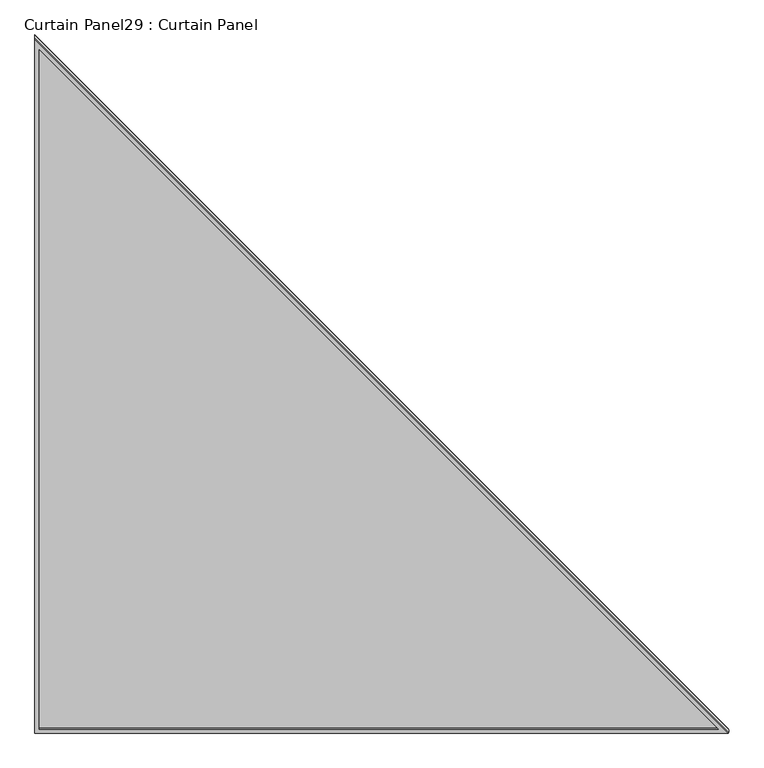
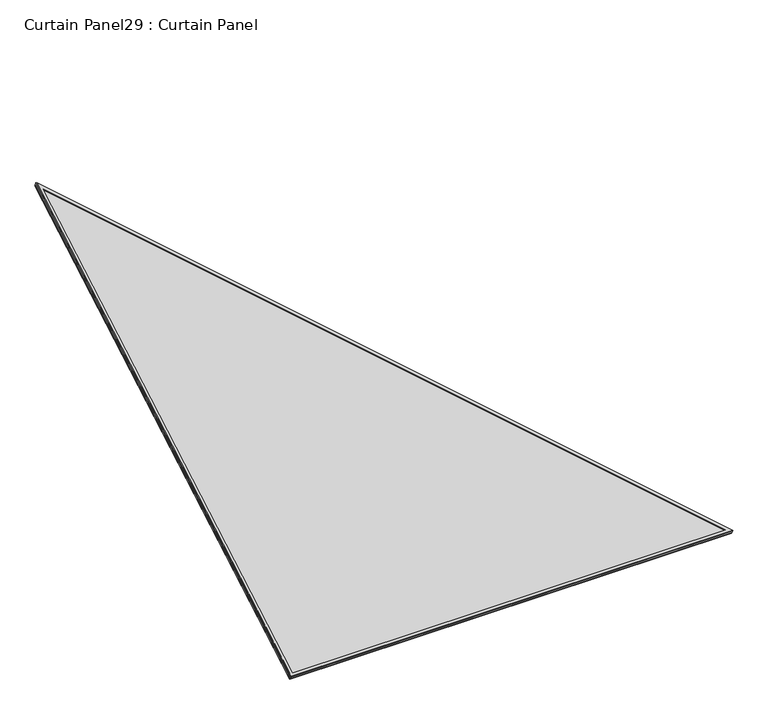
"""IFC4 building model written with IfcOpenShell, lengths in millimetres: plate geometry, Curtain Panel29 : Curtain Panel."""

from ifc_helpers import new_model, si_unit, frame, origin, place, context, project, spatial, polyline, outline, extrude, source, transform, mapped, element, save


def curtain_panel29_curtain_panel_560133df(model_context):
    return source(origin(), model_context, "Body", "SweptSolid", [
        extrude(outline(polyline([(2029.5958654, 0.0), (0.0, -1757.6815789), (0.0, 0.0), (2029.5958654, 0.0)]), holes=[polyline([(1999.6240097, -11.1742479), (11.1742479, -11.1742479), (11.1742479, -1733.2222558), (1999.6240097, -11.1742479)])]), frame((15392.1122101, 8949.3497935, -26.8972674), z_axis=(0.0, -0.5000000000000021, 0.8660254037844375), x_axis=(0.0, 0.8660254037844375, 0.5000000000000021)), (0.0, 0.0, 1.0), 4.7801216),
        extrude(outline(polyline([(2029.5958654, 0.0), (0.0, -1757.6815789), (0.0, 0.0), (2029.5958654, 0.0)]), holes=[polyline([(1999.6240097, -11.1742479), (11.1742479, -11.1742479), (11.1742479, -1733.2222558), (1999.6240097, -11.1742479)])]), frame((15392.1122101, 8940.5384207, -11.635522), z_axis=(0.0, -0.500000000000002, 0.8660254037844376), x_axis=(0.0, 0.8660254037844376, 0.500000000000002)), (0.0, 0.0, 1.0), 4.8562543),
        extrude(outline(polyline([(56.7302073, 0.0), (1816.1, 0.0), (1816.1, -2031.5452468), (56.7302073, 0.0)])), frame((17208.2122101, 8946.8692015, -22.6007561), z_axis=(0.0, -0.5000000000000002, 0.8660254037844386), x_axis=(-1.0, 0.0, 0.0)), (0.0, 0.0, 1.0), 12.6817437),
    ])


if __name__ == "__main__":
    model = new_model("IFC4")
    model_context = context("Model", 3, world=origin())
    ifc_project = project(units=[si_unit("LENGTHUNIT", "METRE", prefix="MILLI")], contexts=[model_context])
    site = spatial("IfcSite", under=ifc_project)
    building = spatial("IfcBuilding", under=site)
    placement = place(None, origin())
    curtain_panel29_curtain_panel_shape = curtain_panel29_curtain_panel_560133df(model_context)
    element("IfcPlate", 1, ObjectType="Curtain Panel29 : Curtain Panel", at=placement, inside=building, context=model_context, shape_type="MappedRepresentation", body=[
        mapped(curtain_panel29_curtain_panel_shape, transform((0.0, 0.0, 0.0), x_axis=(1.0, 0.0, 0.0), y_axis=(0.0, 1.0, 0.0), z_axis=(0.0, 0.0, 1.0))),
    ])
    save(model, "model.ifc")
